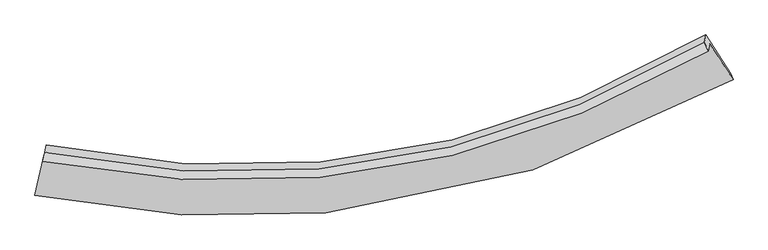
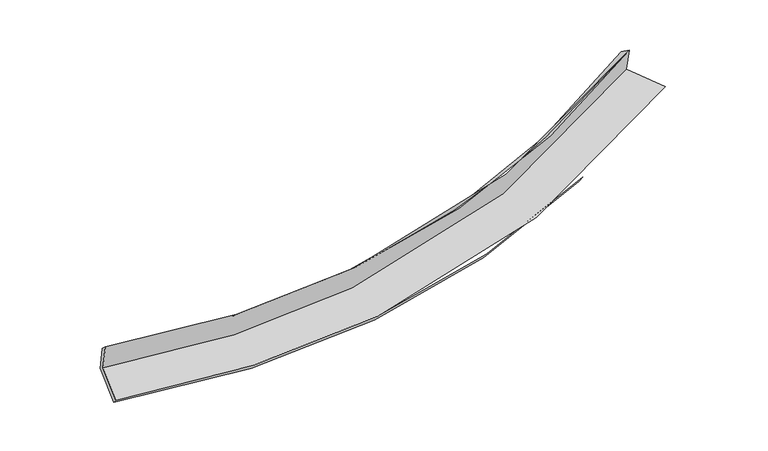
"""IFC4 building model written with IfcOpenShell, lengths in millimetres: proxy geometry."""

from ifc_helpers import new_model, si_unit, frame, origin, place, context, project, spatial, source, transform, mapped, element, save
from ifc_brep_helpers import plane_surface, spline_curve, spline_surface, advanced_brep


def generic_models_e5c16c8f(model_context):
    return source(origin(), model_context, "Body", "AdvancedBrep", [
        advanced_brep(
        [(-4212.819486, -1909.865428, 1596.3338153), (-4336.8183062, -2463.1453752, 1453.3593405), (4972.3006245, -919.6632175, 2338.0786123), (4658.560532, -435.8739091, 2440.2032065), (-4234.9888568, -2010.5430204, 2005.1611177), (4643.9632915, -538.6338265, 2817.995707), (-4207.9039251, -1889.1464106, 1901.9370591), (4587.3009896, -418.2354052, 2738.0945293), (-4186.6582781, -1792.6637179, 1510.1442276), (4608.8282511, -320.4738189, 2341.1084208), (-4317.0433036, -2374.4387697, 1359.8062606), (4943.1437985, -835.9906156, 2232.2863722)],
        [
            (0, 1),
            (1, 2, spline_curve(3, [(-4336.8183062, -2463.1453752, 1453.3593405), (-3016.673229539, -2733.463044979, 1454.123893199), (-1725.101247057, -2811.583900779, 1502.372159752), (1412.297954136, -2528.209287056, 1740.178732966), (3223.765615134, -1935.594379282, 1986.836890764), (4972.3006245, -919.6632175, 2338.0786123)], [4, 2, 4], [0.0, 12.453154431868635, 30.934719825639313])),
            (2, 3),
            (3, 0, spline_curve(3, [(4658.560532, -435.8739091, 2440.2032065), (2992.521834551, -1403.406649546, 2105.353560305), (1266.34505125, -1968.270369835, 1870.15444102), (-1723.615419756, -2239.754278421, 1643.271187539), (-2954.565309587, -2166.221064363, 1597.180509421), (-4212.819486, -1909.865428, 1596.3338153)], [4, 2, 4], [0.0, 18.48156539377068, 30.934719825639313])),
            (4, 0),
            (3, 5),
            (5, 4, spline_curve(3, [(4643.9632915, -538.6338265, 2817.995707), (2974.731639089, -1501.247414741, 2484.198509798), (1246.368581174, -2063.88312023, 2253.115502474), (-1745.566312741, -2336.142210174, 2038.249860545), (-2976.853971267, -2264.142902467, 1998.388004978), (-4234.9888568, -2010.5430204, 2005.1611177)], [4, 2, 4], [0.0, 18.03907906939605, 30.194079615810562])),
            (6, 4),
            (5, 7),
            (7, 6, spline_curve(3, [(4587.3009896, -418.2354052, 2738.0945293), (2938.231840587, -1386.078674671, 2397.832059719), (1227.949462499, -1950.700891563, 2161.371484847), (-1737.206307146, -2220.85656704, 1939.325407458), (-2958.658900921, -2146.538018923, 1897.066825641), (-4207.9039251, -1889.1464106, 1901.9370591)], [4, 2, 4], [0.0, 17.96727113024252, 30.073886416173927])),
            (8, 6),
            (7, 9),
            (9, 8, spline_curve(3, [(4608.8282511, -320.4738189, 2341.1084208), (2959.145916099, -1291.101745814, 2012.15376976), (1248.583186745, -1856.997120147, 1780.8631789), (-1716.484735981, -2126.753854587, 1557.197099489), (-2937.750849487, -2051.588446628, 1511.499625889), (-4186.6582781, -1792.6637179, 1510.1442276)], [4, 2, 4], [0.0, 17.892945134070764, 29.949478455141048])),
            (10, 8),
            (9, 11),
            (11, 10, spline_curve(3, [(4943.1437985, -835.9906156, 2232.2863722), (3205.62282235, -1866.214330525, 1883.892491093), (1404.41077103, -2463.983950567, 1639.836948815), (-1717.09190024, -2740.691544544, 1405.976208389), (-3002.608882295, -2655.737975453, 1359.205046922), (-4317.0433036, -2374.4387697, 1359.8062606)], [4, 2, 4], [0.0, 18.36862361069174, 30.745676184491213])),
            (1, 10),
            (11, 2),
        ],
        [
            spline_surface(3, 3, [[(-4212.819486, -1909.865428, 1596.3338153), (-2954.565309467, -2166.221064383, 1597.180509216), (-1723.615419814, -2239.754278392, 1643.271187403), (1266.345051336, -1968.270369879, 1870.154441222), (2992.521834324, -1403.406649552, 2105.353560104), (4658.560532, -435.8739091, 2440.2032065)], [(-4254.152426059, -2094.292077067, 1548.675657045), (-2975.267949495, -2355.301724607, 1549.49497053), (-1724.11069551, -2430.364152455, 1596.304844777), (1314.996018872, -2154.916675662, 1826.829205225), (3069.603094489, -1580.802559403, 2065.848003666), (4763.140562823, -597.13701189, 2406.161675099)], [(-4295.485366141, -2278.718726133, 1501.017498755), (-2995.970589548, -2544.382384831, 1501.809431809), (-1724.605971221, -2620.974026567, 1549.33850218), (1363.646986394, -2341.562981494, 1783.503969256), (3146.684354685, -1758.198469284, 2026.342447229), (4867.720593677, -758.40011471, 2372.120143701)], [(-4336.8183062, -2463.1453752, 1453.3593405), (-3016.673229576, -2733.463045055, 1454.123893124), (-1725.101246918, -2811.583900631, 1502.372159554), (1412.29795393, -2528.209287276, 1740.178733259), (3223.765614849, -1935.594379136, 1986.83689079), (4972.3006245, -919.6632175, 2338.0786123)]], [4, 4], [4, 2, 4], [0.0, 1.9230563674766104], [0.0, 12.453154431868635, 30.934719825639313]),
            spline_surface(3, 3, [[(-4234.9888568, -2010.5430204, 2005.1611177), (-2976.85397111, -2264.142902538, 1998.388005029), (-1745.566312711, -2336.142210074, 2038.249860699), (1246.36858113, -2063.883120377, 2253.115502246), (2974.731638848, -1501.247414879, 2484.198509686), (4643.9632915, -538.6338265, 2817.995707)], [(-4227.599066537, -1976.983822928, 1868.885350215), (-2969.424417232, -2231.502289815, 1864.652173073), (-1738.24934841, -2304.012899522, 1906.59030294), (1253.027404534, -2032.012203553, 2125.461815244), (2980.661704024, -1468.633826443, 2357.916859811), (4648.82903835, -504.380520706, 2692.064873486)], [(-4220.209276263, -1943.424625472, 1732.609582785), (-2961.994863344, -2198.861677106, 1730.916341172), (-1730.932384115, -2271.883588944, 1774.930745162), (1259.686227932, -2000.141286704, 1997.808128223), (2986.591769149, -1436.020237988, 2231.635209979), (4653.69478515, -470.127214894, 2566.134040014)], [(-4212.819486, -1909.865428, 1596.3338153), (-2954.565309467, -2166.221064383, 1597.180509216), (-1723.615419814, -2239.754278392, 1643.271187403), (1266.345051336, -1968.270369879, 1870.154441222), (2992.521834324, -1403.406649552, 2105.353560104), (4658.560532, -435.8739091, 2440.2032065)]], [4, 4], [4, 2, 4], [0.0, 1.309539121740706], [0.0, 12.155000546414513, 30.194079615810562]),
            spline_surface(3, 3, [[(-4207.9039251, -1889.1464106, 1901.9370591), (-2958.6589009, -2146.538018728, 1897.066825695), (-1737.206307212, -2220.856567023, 1939.325407585), (1227.949462598, -1950.700891589, 2161.371484658), (2938.231840443, -1386.078674823, 2397.832059518), (4587.3009896, -418.2354052, 2738.0945293)], [(-4216.93223565, -1929.611947188, 1936.345078632), (-2964.723924286, -2185.739646653, 1930.840552138), (-1739.9929757, -2259.285114707, 1972.300225282), (1234.089168787, -1988.428301186, 2191.952823846), (2950.398439904, -1424.468254826, 2426.620876242), (4606.188423559, -458.368212284, 2764.728255202)], [(-4225.96054625, -1970.077483812, 1970.753098168), (-2970.788947723, -2224.941274613, 1964.614278586), (-1742.779644223, -2297.713662389, 2005.275043002), (1240.228874941, -2026.15571078, 2222.534163058), (2962.565039387, -1462.857834877, 2455.409692962), (4625.075857541, -498.501019416, 2791.361981098)], [(-4234.9888568, -2010.5430204, 2005.1611177), (-2976.85397111, -2264.142902538, 1998.388005029), (-1745.566312711, -2336.142210074, 2038.249860699), (1246.36858113, -2063.883120377, 2253.115502246), (2974.731638848, -1501.247414879, 2484.198509686), (4643.9632915, -538.6338265, 2817.995707)]], [4, 4], [4, 2, 4], [0.0, 0.4858615314312186], [0.0, 12.106615285931408, 30.073886416173927]),
            spline_surface(3, 3, [[(-4186.6582781, -1792.6637179, 1510.1442276), (-2937.750849586, -2051.588446714, 1511.499625729), (-1716.484735835, -2126.753854615, 1557.19709946), (1248.583186529, -1856.997120106, 1780.863178942), (2959.145915835, -1291.101745863, 2012.153769582), (4608.8282511, -320.4738189, 2341.1084208)], [(-4193.740160435, -1824.824615477, 1640.741838106), (-2944.720200026, -2083.238304062, 1640.022025724), (-1723.391926314, -2158.121425414, 1684.573202195), (1241.705278532, -1888.231710597, 1907.699280874), (2952.174557381, -1322.760722191, 2140.713199544), (4601.652497277, -353.061014342, 2473.437123617)], [(-4200.822042765, -1856.985513023, 1771.339448594), (-2951.68955046, -2114.88816138, 1768.5444257), (-1730.299116733, -2189.488996223, 1811.94930485), (1234.827370595, -1919.466301098, 2034.535382726), (2945.203198897, -1354.419698495, 2269.272629556), (4594.476743423, -385.648209758, 2605.765826483)], [(-4207.9039251, -1889.1464106, 1901.9370591), (-2958.6589009, -2146.538018728, 1897.066825695), (-1737.206307212, -2220.856567023, 1939.325407585), (1227.949462598, -1950.700891589, 2161.371484658), (2938.231840443, -1386.078674823, 2397.832059518), (4587.3009896, -418.2354052, 2738.0945293)]], [4, 4], [4, 2, 4], [0.0, 1.290793800294047], [0.0, 12.056533321070285, 29.949478455141048]),
            spline_surface(3, 3, [[(-4317.0433036, -2374.4387697, 1359.8062606), (-3002.608882449, -2655.737975307, 1359.20504709), (-1717.091900068, -2740.691544407, 1405.976208417), (1404.410770775, -2463.98395077, 1639.836948775), (3205.622822402, -1866.214330285, 1883.892491321), (4943.1437985, -835.9906156, 2232.2863722)], [(-4273.581628431, -2180.513752441, 1409.918916275), (-2980.989538159, -2454.354799117, 1409.969906645), (-1716.88951199, -2536.045647817, 1456.383172088), (1352.468242693, -2261.655007222, 1686.845692154), (3123.46385354, -1674.51013548, 1926.646250768), (4831.705282694, -664.15168337, 2268.560388427)], [(-4230.119953269, -1986.588735159, 1460.031571925), (-2959.370193876, -2252.971622904, 1460.734766174), (-1716.687123913, -2331.399751205, 1506.790135789), (1300.525714611, -2059.326063653, 1733.854435563), (3041.304884696, -1482.805940667, 1969.400010135), (4720.266766906, -492.31275113, 2304.834404573)], [(-4186.6582781, -1792.6637179, 1510.1442276), (-2937.750849586, -2051.588446714, 1511.499625729), (-1716.484735835, -2126.753854615, 1557.19709946), (1248.583186529, -1856.997120106, 1780.863178942), (2959.145915835, -1291.101745863, 2012.153769582), (4608.8282511, -320.4738189, 2341.1084208)]], [4, 4], [4, 2, 4], [0.0, 2.0764908473018213], [0.0, 12.377052573799475, 30.745676184491213]),
            spline_surface(3, 3, [[(-4336.8183062, -2463.1453752, 1453.3593405), (-3016.673229576, -2733.463045055, 1454.123893124), (-1725.101246918, -2811.583900631, 1502.372159554), (1412.29795393, -2528.209287276, 1740.178733259), (3223.765614849, -1935.594379136, 1986.83689079), (4972.3006245, -919.6632175, 2338.0786123)], [(-4330.226638688, -2433.576506699, 1422.174980526), (-3011.985113889, -2707.554688471, 1422.484277772), (-1722.431464634, -2787.953115226, 1470.240175836), (1409.668892879, -2506.800841777, 1706.731471759), (3217.718017364, -1912.467696194, 1952.522090971), (4962.581682497, -891.772350208, 2302.81453227)], [(-4323.634971112, -2404.007638201, 1390.990620574), (-3007.296998137, -2681.646331891, 1390.844662442), (-1719.761682352, -2764.322329812, 1438.108192135), (1407.039831826, -2485.392396269, 1673.284210275), (3211.670419887, -1889.341013226, 1918.207291141), (4952.862740503, -863.881482892, 2267.55045223)], [(-4317.0433036, -2374.4387697, 1359.8062606), (-3002.608882449, -2655.737975307, 1359.20504709), (-1717.091900068, -2740.691544407, 1405.976208417), (1404.410770775, -2463.98395077, 1639.836948775), (3205.622822402, -1866.214330285, 1883.892491321), (4943.1437985, -835.9906156, 2232.2863722)]], [4, 4], [4, 2, 4], [0.0, 0.3927328014018556], [0.0, 12.725264490191286, 31.61066490140326]),
            plane_surface(frame((4735.6829145, -578.1451321, 2484.627808), z_axis=(0.8427261536715989, 0.5103368764922244, 0.17137357558863334), x_axis=(-0.0525808405609081, -0.23878496531554472, 0.9696478719334987))),
            plane_surface(frame((-4249.372026, -2073.3004536, 1637.7903035), z_axis=(-0.9758425312469071, 0.21847327554144272, 0.0008843550316667628), x_axis=(0.21205331738866412, 0.9461771336348435, 0.24450403344528715))),
        ],
        [
            (0, [[1, 2, 3, 4]]),
            (1, [[5, -4, 6, 7]]),
            (2, [[8, -7, 9, 10]]),
            (3, [[11, -10, 12, 13]]),
            (4, [[14, -13, 15, 16]]),
            (5, [[17, -16, 18, -2]]),
            (6, [[-12, -9, -6, -3, -18, -15]]),
            (7, [[-1, -5, -8, -11, -14, -17]]),
        ],
    ),
    ])


if __name__ == "__main__":
    model = new_model("IFC4")
    model_context = context("Model", 3, world=origin())
    ifc_project = project(units=[si_unit("LENGTHUNIT", "METRE", prefix="MILLI")], contexts=[model_context])
    site = spatial("IfcSite", under=ifc_project)
    building = spatial("IfcBuilding", under=site)
    placement = place(None, origin())
    generic_models_shape = generic_models_e5c16c8f(model_context)
    element("IfcBuildingElementProxy", 1, Name="Generic Models", at=placement, inside=building, context=model_context, shape_type="MappedRepresentation", body=[
        mapped(generic_models_shape, transform((0.0, 0.0, 0.0), x_axis=(1.0, 0.0, 0.0), y_axis=(0.0, 1.0, 0.0), z_axis=(0.0, 0.0, 1.0))),
    ])
    save(model, "model.ifc")
